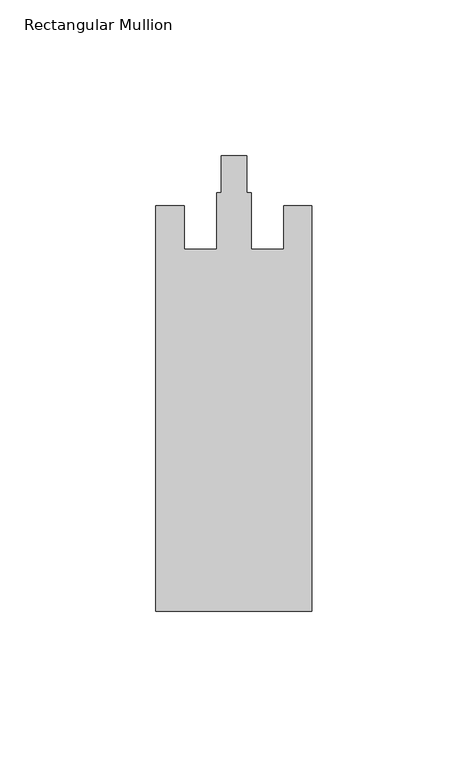
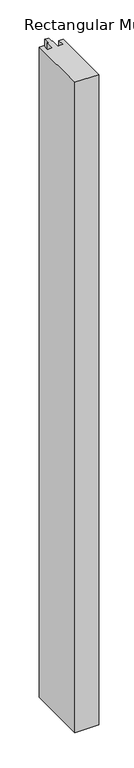
"""IFC4 building model written with IfcOpenShell, lengths in millimetres: member geometry, Rectangular Mullion."""

from ifc_helpers import new_model, si_unit, frame, origin, place, context, project, spatial, polyline, outline, extrude, source, transform, mapped, element, save


def rectangular_mullion_544a87ed(model_context):
    return source(origin(), model_context, "Body", "SweptSolid", [
        extrude(outline(polyline([(0.0, -153.0), (-50.0, -153.0), (-50.0, -23.0), (-41.0, -23.0), (-41.0, -37.0), (-30.5, -37.0), (-30.5, -18.8), (-29.1, -18.8), (-29.1, -7.0), (-20.9, -7.0), (-20.9, -18.8), (-19.5, -18.8), (-19.5, -37.0), (-9.0, -37.0), (-9.0, -23.0), (0.0, -23.0), (0.0, -153.0)])), frame((0.0, 0.0, -1450.0), z_axis=(0.0, 0.0, 1.0), x_axis=(1.0, 0.0, 0.0)), (0.0, 0.0, 1.0), 1450.0),
    ])


if __name__ == "__main__":
    model = new_model("IFC4")
    model_context = context("Model", 3, world=origin())
    ifc_project = project(units=[si_unit("LENGTHUNIT", "METRE", prefix="MILLI")], contexts=[model_context])
    site = spatial("IfcSite", under=ifc_project)
    building = spatial("IfcBuilding", under=site)
    placement = place(None, origin())
    rectangular_mullion_shape = rectangular_mullion_544a87ed(model_context)
    element("IfcMember", 1, ObjectType="Rectangular Mullion", at=placement, inside=building, context=model_context, shape_type="MappedRepresentation", body=[
        mapped(rectangular_mullion_shape, transform((0.0, 0.0, 0.0), x_axis=(1.0, 0.0, 0.0), y_axis=(0.0, 1.0, 0.0), z_axis=(0.0, 0.0, 1.0))),
    ])
    save(model, "model.ifc")
